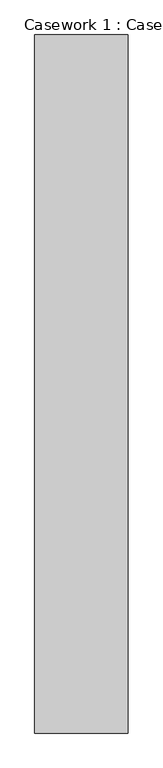
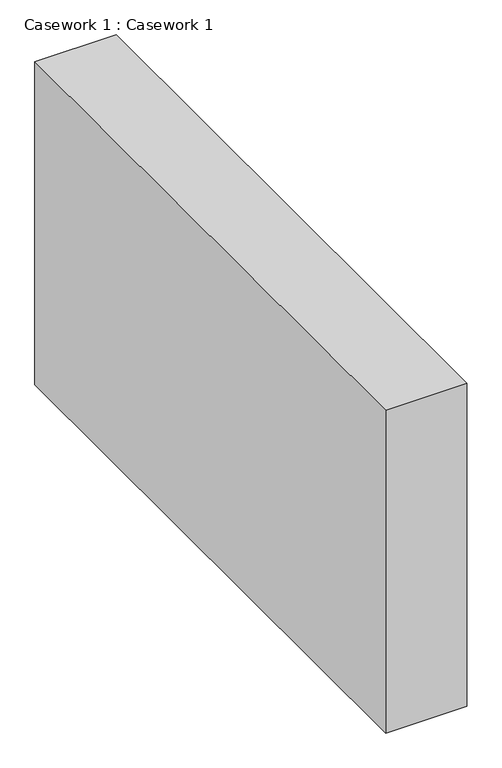
"""IFC4 building model written with IfcOpenShell, lengths in millimetres: furniture geometry, Casework 1 : Casework 1."""

from ifc_helpers import new_model, si_unit, origin, place, context, project, spatial, faceted_brep, source, transform, mapped, element, save


def casework_1_casework_1_78c02f7b(model_context):
    return source(origin(), model_context, "Body", "Brep", [
        faceted_brep([(-11099.5756731, 29828.5188459, -8534.4), (-11099.5756731, 24949.9179397, -8534.4), (-11099.5756731, 24949.9179397, -11277.6), (-11099.5756731, 27357.4448702, -11277.6), (-11099.5756731, 27357.4448702, -10583.1594313), (-11099.5756731, 28228.2524833, -10583.1594313), (-11099.5756731, 28228.2524833, -11277.6), (-11099.5756731, 29828.5188459, -11277.6), (-11099.5756731, 28863.3188459, -9067.8), (-11099.5756731, 28863.3188459, -10414.0), (-11099.5756731, 25686.5179397, -10414.0), (-11099.5756731, 25686.5179397, -9067.8), (-11752.0062714, 29828.5188459, -8534.4), (-11752.0062714, 29828.5188459, -11277.6), (-11752.0062714, 24949.9179397, -11277.6), (-11752.0062714, 24949.9179397, -8534.4), (-11414.7420587, 28228.2524833, -11277.6), (-11414.7420587, 27357.4448702, -11277.6), (-11414.7420587, 27357.4448702, -10583.1594313), (-11414.7420587, 27373.7486767, -10583.1594313), (-11148.0420587, 27373.7486767, -10583.1594313), (-11148.0420587, 28211.9486767, -10583.1594313), (-11414.7420587, 28211.9486767, -10583.1594313), (-11414.7420587, 28228.2524833, -10583.1594313), (-11409.2040177, 28863.3188459, -9067.8), (-11409.2040177, 28863.3188459, -9677.4), (-11719.622594, 28863.3188459, -9677.4), (-11719.622594, 28863.3188459, -10414.0), (-11719.622594, 25686.5179397, -10414.0), (-11148.0420587, 27373.7486767, -10414.0), (-11681.4420587, 27373.7486767, -10414.0), (-11681.4420587, 28211.9486767, -10414.0), (-11148.0420587, 28211.9486767, -10414.0), (-11719.622594, 25686.5179397, -9677.4), (-11409.2040177, 25686.5179397, -9677.4), (-11409.2040177, 25686.5179397, -9067.8), (-11414.7420587, 28211.9486767, -10718.8), (-11414.7420587, 27373.7486767, -10718.8), (-11681.4420587, 28211.9486767, -10718.8), (-11681.4420587, 27373.7486767, -10718.8)], [[[0, 1, 2, 3, 4, 5, 6, 7], [8, 9, 10, 11]], [[12, 13, 14, 15]], [[1, 0, 12, 15]], [[2, 1, 15, 14]], [[3, 2, 14, 13, 7, 6, 16, 17]], [[4, 3, 17, 18]], [[5, 4, 18, 19, 20, 21, 22, 23]], [[6, 5, 23, 16]], [[0, 7, 13, 12]], [[9, 8, 24, 25, 26, 27]], [[10, 9, 27, 28], [29, 30, 31, 32]], [[11, 10, 28, 33, 34, 35]], [[8, 11, 35, 24]], [[34, 25, 24, 35]], [[25, 34, 33, 26]], [[27, 26, 33, 28]], [[17, 16, 23, 22, 36, 37, 19, 18]], [[38, 39, 37, 36]], [[39, 30, 29, 20, 19, 37]], [[39, 38, 31, 30]], [[31, 38, 36, 22, 21, 32]], [[20, 29, 32, 21]]]),
    ])


if __name__ == "__main__":
    model = new_model("IFC4")
    model_context = context("Model", 3, world=origin())
    ifc_project = project(units=[si_unit("LENGTHUNIT", "METRE", prefix="MILLI")], contexts=[model_context])
    site = spatial("IfcSite", under=ifc_project)
    building = spatial("IfcBuilding", under=site)
    placement = place(None, origin())
    casework_1_casework_1_shape = casework_1_casework_1_78c02f7b(model_context)
    element("IfcFurniture", 1, ObjectType="Casework 1 : Casework 1", at=placement, inside=building, context=model_context, shape_type="MappedRepresentation", body=[
        mapped(casework_1_casework_1_shape, transform((0.0, 0.0, 0.0), x_axis=(1.0, 0.0, 0.0), y_axis=(0.0, 1.0, 0.0), z_axis=(0.0, 0.0, 1.0))),
    ])
    save(model, "model.ifc")
